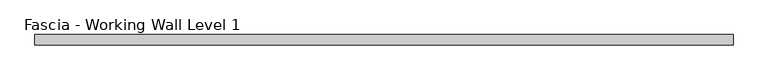
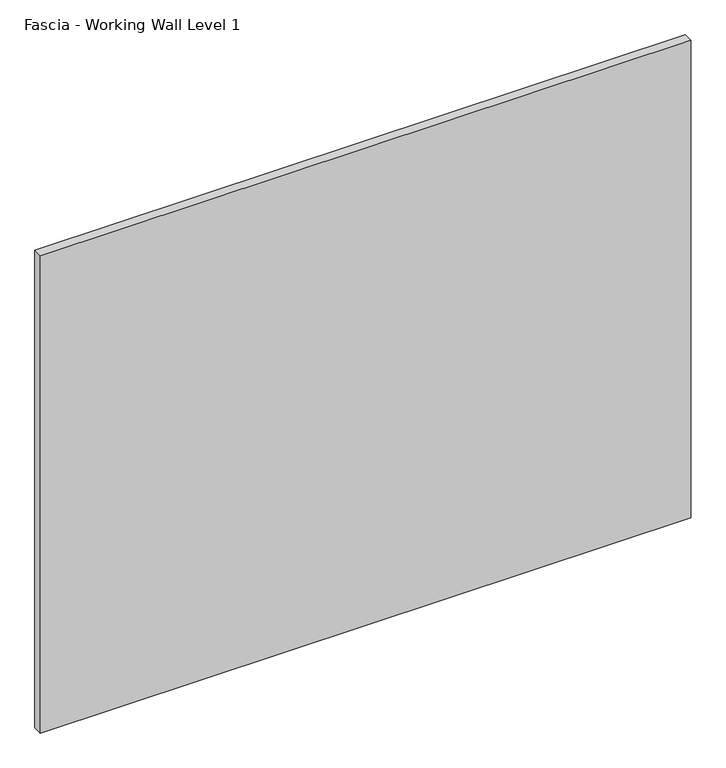
"""IFC4 building model written with IfcOpenShell, lengths in millimetres: proxy geometry, Fascia - Working Wall Level 1."""

from ifc_helpers import new_model, si_unit, origin, origin_with_axes, place, context, project, spatial, polyline, outline, extrude, source, transform, mapped, element, save


def fascia_working_wall_level_1_51939489(model_context):
    return source(origin(), model_context, "Body", "SweptSolid", [
        extrude(outline(polyline([(-608.9147866, -24.22678), (-608.9147866, -6.75158), (574.3622116, -6.75158), (574.3622116, -24.22678), (-608.9147866, -24.22678)])), origin_with_axes(), (0.0, 0.0, 1.0), 918.2606874),
    ])


if __name__ == "__main__":
    model = new_model("IFC4")
    model_context = context("Model", 3, world=origin())
    ifc_project = project(units=[si_unit("LENGTHUNIT", "METRE", prefix="MILLI")], contexts=[model_context])
    site = spatial("IfcSite", under=ifc_project)
    building = spatial("IfcBuilding", under=site)
    placement = place(None, origin())
    fascia_working_wall_level_1_shape = fascia_working_wall_level_1_51939489(model_context)
    element("IfcBuildingElementProxy", 1, Name="Fascia - Working Wall Level 1", ObjectType="Fascia - Working Wall Level 1", at=placement, inside=building, context=model_context, shape_type="MappedRepresentation", body=[
        mapped(fascia_working_wall_level_1_shape, transform((0.0, 0.0, 0.0), x_axis=(1.0, 0.0, 0.0), y_axis=(0.0, 1.0, 0.0), z_axis=(0.0, 0.0, 1.0))),
    ])
    save(model, "model.ifc")
